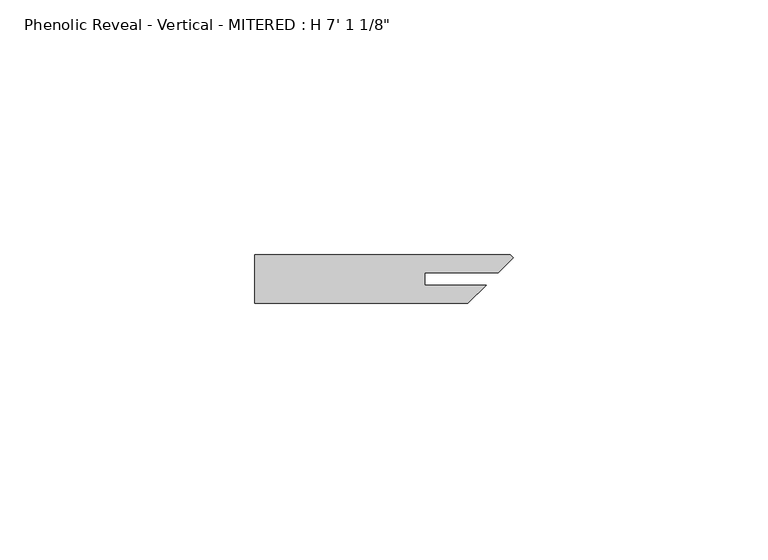
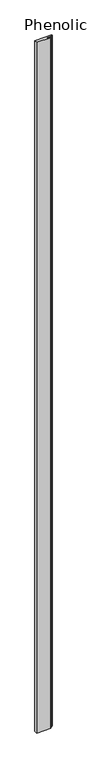
"""IFC4 building model written with IfcOpenShell, lengths in millimetres: proxy geometry."""

import ifcopenshell
import ifcopenshell.guid

model = None  # the IFC model being written
_history = None  # IfcOwnerHistory: only IFC2X3 demands one
_inside = {}  # id of a spatial element -> (the spatial element, [elements in it])
_under = {}  # id of a project, library or spatial element -> (it, [spatial elements below it])
_declared = {}  # id of a project -> (the project, [libraries it declares])
_typed = {}  # id of a type object -> (the type object, [elements of that type])
_made_of = {}  # id of a material, layer set ... -> (it, [elements and type objects made of it])


def new_model(schema):
    """Start an empty IFC model of exactly this schema.

    Asked for "IFC4X3", IfcOpenShell would pick the latest addendum, in which some entities
    have other attributes; the version numbers below select the first issue.
    IFC2X3 requires an IfcOwnerHistory on every rooted entity: one is made here for all.
    """
    global model, _history
    if schema == "IFC4X3":
        model = ifcopenshell.file(schema_version=(4, 3, 0, 0))
    else:
        model = ifcopenshell.file(schema=schema)
    _inside.clear()
    _under.clear()
    _declared.clear()
    _typed.clear()
    _made_of.clear()
    _history = None
    if model.schema == "IFC2X3":
        org = make("IfcOrganization", Name="unknown")
        user = make(
            "IfcPersonAndOrganization",
            ThePerson=make("IfcPerson", FamilyName="unknown"),
            TheOrganization=org,
        )
        app = make(
            "IfcApplication",
            ApplicationDeveloper=org,
            Version="unknown",
            ApplicationFullName="unknown",
            ApplicationIdentifier="unknown",
        )
        _history = make(
            "IfcOwnerHistory",
            OwningUser=user,
            OwningApplication=app,
            ChangeAction="ADDED",
            CreationDate=0,
        )
    return model


def make(cls, **values):
    """One entity of the class cls with the attributes given. An attribute that is None is left unset."""
    return model.create_entity(
        cls, **{name: value for name, value in values.items() if value is not None}
    )


def rooted(cls, **values):
    """An entity with a GlobalId (a new one), such as an element, a storey or a relation."""
    return make(cls, GlobalId=ifcopenshell.guid.new(), OwnerHistory=_history, **values)


def si_unit(unit_type, name, prefix=None):
    """IfcSIUnit, for example si_unit("LENGTHUNIT", "METRE", prefix="MILLI")."""
    return make("IfcSIUnit", UnitType=unit_type, Prefix=prefix, Name=name)


def assignment(units):
    """IfcUnitAssignment: the units of a project."""
    return None if units is None else make("IfcUnitAssignment", Units=units)


def point(xyz):
    """IfcCartesianPoint."""
    return None if xyz is None else make("IfcCartesianPoint", Coordinates=xyz)


def direction(xyz):
    """IfcDirection."""
    return None if xyz is None else make("IfcDirection", DirectionRatios=xyz)


def frame(location, z_axis=None, x_axis=None):
    """IfcAxis2Placement3D, a coordinate frame: its origin and axes. An axis left out is left unset."""
    return make(
        "IfcAxis2Placement3D",
        Location=point(location),
        Axis=direction(z_axis),
        RefDirection=direction(x_axis),
    )


def origin():
    """The frame at (0, 0, 0) with its axes left unset."""
    return frame((0.0, 0.0, 0.0))


def origin_with_axes():
    """The frame at (0, 0, 0) with the z axis (0, 0, 1) and the x axis (1, 0, 0) written out."""
    return frame((0.0, 0.0, 0.0), z_axis=(0.0, 0.0, 1.0), x_axis=(1.0, 0.0, 0.0))


def place(relative_to, where):
    """IfcLocalPlacement: puts the frame where relative to a parent placement (None: the world)."""
    return make(
        "IfcLocalPlacement", PlacementRelTo=relative_to, RelativePlacement=where
    )


def context(
    kind, dimensions, precision=None, world=None, true_north=None, identifier=None
):
    """IfcGeometricRepresentationContext, for example the 3D "Model" context."""
    return make(
        "IfcGeometricRepresentationContext",
        ContextIdentifier=identifier,
        ContextType=kind,
        CoordinateSpaceDimension=dimensions,
        Precision=precision,
        WorldCoordinateSystem=world,
        TrueNorth=true_north,
    )


def project(units=None, contexts=None):
    """IfcProject with its units and contexts."""
    return rooted(
        "IfcProject",
        Name="project",
        RepresentationContexts=contexts,
        UnitsInContext=assignment(units),
    )


def spatial(cls, under=None, at=None, **own):
    """A site, building, storey or space (cls), placed at a placement, below another one or the project."""
    s = rooted(cls, ObjectPlacement=at, **own)
    if under is not None:
        _under.setdefault(under.id(), (under, []))[1].append(s)
    return s


def polyline(points):
    """IfcPolyline through the points."""
    return make("IfcPolyline", Points=[point(p) for p in points])


def outline(outer, holes=None, kind="AREA"):
    """IfcArbitraryClosedProfileDef: a profile drawn as a closed curve; with holes, ...WithVoids."""
    if holes is None:
        return make("IfcArbitraryClosedProfileDef", ProfileType=kind, OuterCurve=outer)
    return make(
        "IfcArbitraryProfileDefWithVoids",
        ProfileType=kind,
        OuterCurve=outer,
        InnerCurves=holes,
    )


def extrude(swept, where, along, depth):
    """IfcExtrudedAreaSolid: the profile swept, set in the frame where, extruded along a direction by depth."""
    return make(
        "IfcExtrudedAreaSolid",
        SweptArea=swept,
        Position=where,
        ExtrudedDirection=direction(along),
        Depth=depth,
    )


def shape(context_of_items, identifier, shape_type, items):
    """IfcShapeRepresentation: the items that make up one representation, for example the "Body"."""
    return make(
        "IfcShapeRepresentation",
        ContextOfItems=context_of_items,
        RepresentationIdentifier=identifier,
        RepresentationType=shape_type,
        Items=items,
    )


def source(mapping_origin, context_of_items, identifier, shape_type, items):
    """IfcRepresentationMap: a shape defined once, which mapped items show again and again."""
    return make(
        "IfcRepresentationMap",
        MappingOrigin=mapping_origin,
        MappedRepresentation=shape(context_of_items, identifier, shape_type, items),
    )


def transform(
    local_origin,
    x_axis=None,
    y_axis=None,
    z_axis=None,
    scale=None,
    scale2=None,
    scale3=None,
    uniform=True,
):
    """IfcCartesianTransformationOperator3D, or its non-uniform kind. x_axis, y_axis, z_axis: its Axis1, 2, 3."""
    if uniform:
        return make(
            "IfcCartesianTransformationOperator3D",
            Axis1=direction(x_axis),
            Axis2=direction(y_axis),
            LocalOrigin=point(local_origin),
            Scale=scale,
            Axis3=direction(z_axis),
        )
    return make(
        "IfcCartesianTransformationOperator3DnonUniform",
        Axis1=direction(x_axis),
        Axis2=direction(y_axis),
        LocalOrigin=point(local_origin),
        Scale=scale,
        Axis3=direction(z_axis),
        Scale2=scale2,
        Scale3=scale3,
    )


def mapped(mapping_source, mapping_target):
    """IfcMappedItem: shows the shape of a source again, moved by a transform."""
    return make(
        "IfcMappedItem", MappingSource=mapping_source, MappingTarget=mapping_target
    )


def made_of(thing, what):
    """Note that an element or type object is made of a material, layer set ...; save() writes the relation."""
    if what is not None:
        _made_of.setdefault(what.id(), (what, []))[1].append(thing)
    return thing


def element(
    cls,
    number,
    at=None,
    inside=None,
    cuts=None,
    type_object=None,
    material=None,
    context=None,
    identifier="Body",
    shape_type=None,
    held_by="IfcProductDefinitionShape",
    body=None,
    shapes=None,
    **own,
):
    """One element of the class cls, such as IfcWall. Its Tag is "e" and its number.

    at: its placement. inside: the storey or other place that contains it. cuts: it is an
    opening in that element (IfcRelVoidsElement). A single representation is given by context,
    identifier, shape_type and body (its items); several are given by shapes. held_by: the class
    of the entity that holds the representations. save() writes the other relations.
    """
    e = rooted(cls, Tag="e%d" % number, ObjectPlacement=at, **own)
    if body is not None:
        shapes = [shape(context, identifier, shape_type, body)]
    if shapes is not None:
        e.Representation = make(held_by, Representations=shapes)
    if inside is not None:
        _inside.setdefault(inside.id(), (inside, []))[1].append(e)
    if cuts is not None:
        rooted(
            "IfcRelVoidsElement", RelatingBuildingElement=cuts, RelatedOpeningElement=e
        )
    if type_object is not None:
        _typed.setdefault(type_object.id(), (type_object, []))[1].append(e)
    return made_of(e, material)


def aggregate(whole, parts):
    """IfcRelAggregates: a whole, such as a stair, and the parts it consists of."""
    return rooted("IfcRelAggregates", RelatingObject=whole, RelatedObjects=parts)


def save(model, path):
    """Write the relations noted so far, then the file.

    IfcRelAggregates (storeys below a building ...), IfcRelContainedInSpatialStructure (elements
    in a storey), IfcRelDefinesByType, IfcRelAssociatesMaterial and IfcRelDeclares: one each for
    every whole, place, type object, material and project.
    """
    for whole, parts in _under.values():
        aggregate(whole, parts)
    for where, things in _inside.values():
        rooted(
            "IfcRelContainedInSpatialStructure",
            RelatedElements=things,
            RelatingStructure=where,
        )
    for kind, things in _typed.values():
        rooted("IfcRelDefinesByType", RelatedObjects=things, RelatingType=kind)
    for what, things in _made_of.values():
        rooted("IfcRelAssociatesMaterial", RelatedObjects=things, RelatingMaterial=what)
    for by, libraries in _declared.values():
        rooted("IfcRelDeclares", RelatingContext=by, RelatedDefinitions=libraries)
    model.write(path)


def proxy_fa7203c4(model_context):
    return source(origin(), model_context, "Body", "SweptSolid", [
        extrude(outline(polyline([(33.3941322, 5.969), (33.3941322, 3.556), (45.4493619, 3.556), (41.8933619, 0.0), (0.0, 0.0), (0.0, 9.525), (50.1816381, 9.525), (50.8, 8.9066381), (47.8623619, 5.969), (33.3941322, 5.969)])), origin_with_axes(), (0.0, 0.0, 1.0), 2162.175),
    ])


if __name__ == "__main__":
    model = new_model("IFC4")
    model_context = context("Model", 3, world=origin())
    ifc_project = project(units=[si_unit("LENGTHUNIT", "METRE", prefix="MILLI")], contexts=[model_context])
    site = spatial("IfcSite", under=ifc_project)
    building = spatial("IfcBuilding", under=site)
    placement = place(None, origin())
    proxy_shape = proxy_fa7203c4(model_context)
    element("IfcBuildingElementProxy", 1, Name="Phenolic Reveal - Vertical - MITERED : H 7' 1 1/8\"", ObjectType="Phenolic Reveal - Vertical - MITERED : H 7' 1 1/8\"", at=placement, inside=building, context=model_context, shape_type="MappedRepresentation", body=[
        mapped(proxy_shape, transform((0.0, 0.0, 0.0), x_axis=(1.0, 0.0, 0.0), y_axis=(0.0, 1.0, 0.0), z_axis=(0.0, 0.0, 1.0))),
    ])
    save(model, "model.ifc")
